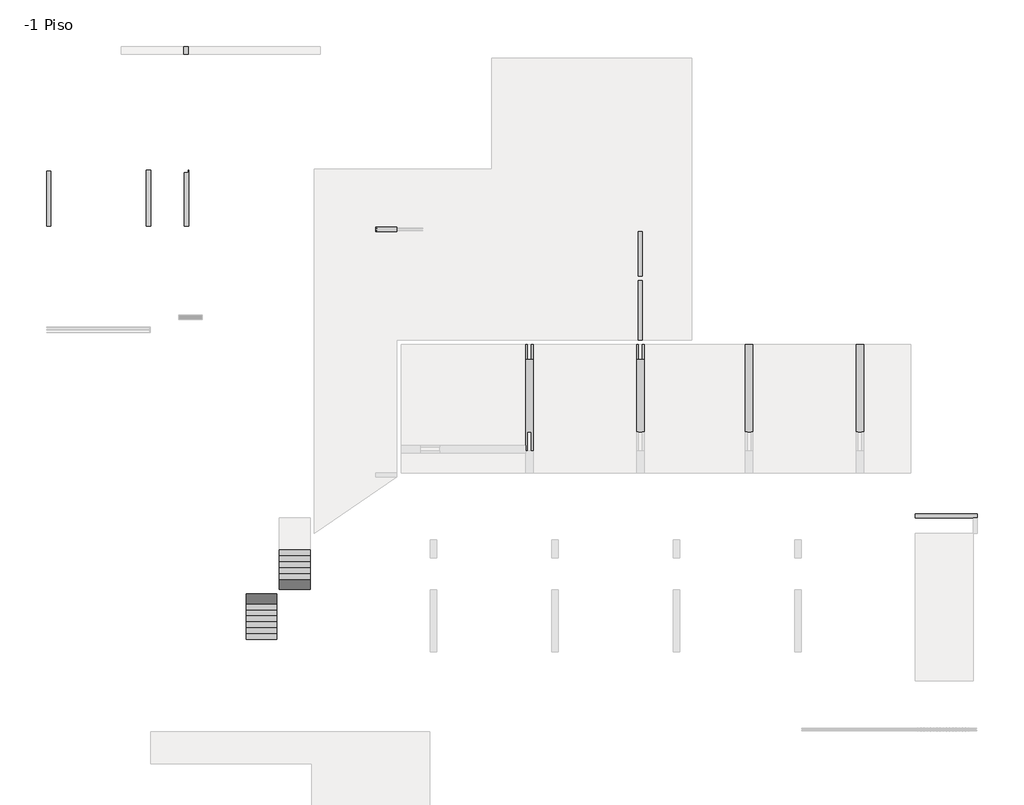
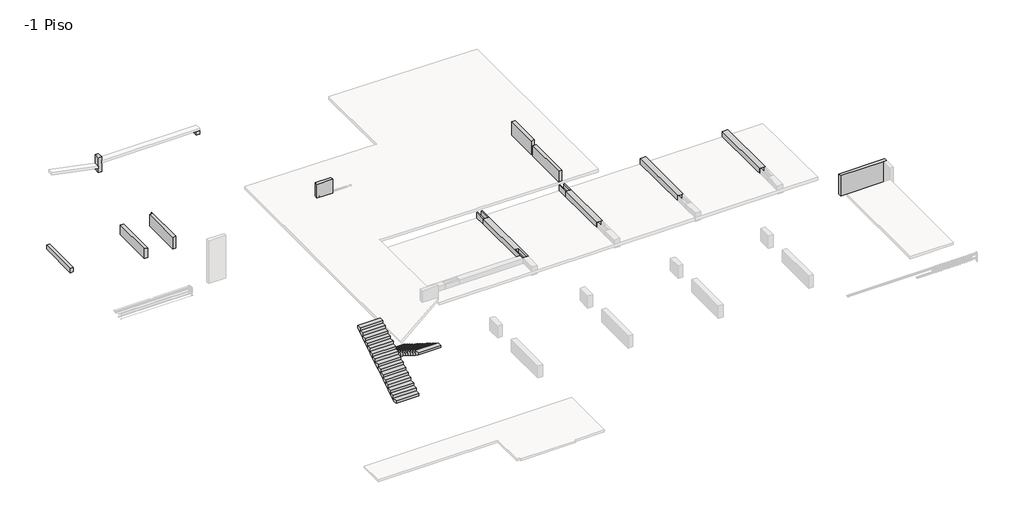
# One storey, part 2 of 3: 16 beams, 2 stair flights, 1 stair.
"""IFC4 building model written with IfcOpenShell, lengths in millimetres."""

import ifcopenshell
import ifcopenshell.guid

model = None  # the IFC model being written
_history = None  # IfcOwnerHistory: only IFC2X3 demands one
_inside = {}  # id of a spatial element -> (the spatial element, [elements in it])
_under = {}  # id of a project, library or spatial element -> (it, [spatial elements below it])
_declared = {}  # id of a project -> (the project, [libraries it declares])
_typed = {}  # id of a type object -> (the type object, [elements of that type])
_made_of = {}  # id of a material, layer set ... -> (it, [elements and type objects made of it])


def new_model(schema):
    """Start an empty IFC model of exactly this schema.

    Asked for "IFC4X3", IfcOpenShell would pick the latest addendum, in which some entities
    have other attributes; the version numbers below select the first issue.
    IFC2X3 requires an IfcOwnerHistory on every rooted entity: one is made here for all.
    """
    global model, _history
    if schema == "IFC4X3":
        model = ifcopenshell.file(schema_version=(4, 3, 0, 0))
    else:
        model = ifcopenshell.file(schema=schema)
    _inside.clear()
    _under.clear()
    _declared.clear()
    _typed.clear()
    _made_of.clear()
    _history = None
    if model.schema == "IFC2X3":
        org = make("IfcOrganization", Name="unknown")
        user = make(
            "IfcPersonAndOrganization",
            ThePerson=make("IfcPerson", FamilyName="unknown"),
            TheOrganization=org,
        )
        app = make(
            "IfcApplication",
            ApplicationDeveloper=org,
            Version="unknown",
            ApplicationFullName="unknown",
            ApplicationIdentifier="unknown",
        )
        _history = make(
            "IfcOwnerHistory",
            OwningUser=user,
            OwningApplication=app,
            ChangeAction="ADDED",
            CreationDate=0,
        )
    return model


def make(cls, **values):
    """One entity of the class cls with the attributes given. An attribute that is None is left unset."""
    return model.create_entity(
        cls, **{name: value for name, value in values.items() if value is not None}
    )


def rooted(cls, **values):
    """An entity with a GlobalId (a new one), such as an element, a storey or a relation."""
    return make(cls, GlobalId=ifcopenshell.guid.new(), OwnerHistory=_history, **values)


def si_unit(unit_type, name, prefix=None):
    """IfcSIUnit, for example si_unit("LENGTHUNIT", "METRE", prefix="MILLI")."""
    return make("IfcSIUnit", UnitType=unit_type, Prefix=prefix, Name=name)


def assignment(units):
    """IfcUnitAssignment: the units of a project."""
    return None if units is None else make("IfcUnitAssignment", Units=units)


def point(xyz):
    """IfcCartesianPoint."""
    return None if xyz is None else make("IfcCartesianPoint", Coordinates=xyz)


def direction(xyz):
    """IfcDirection."""
    return None if xyz is None else make("IfcDirection", DirectionRatios=xyz)


def frame(location, z_axis=None, x_axis=None):
    """IfcAxis2Placement3D, a coordinate frame: its origin and axes. An axis left out is left unset."""
    return make(
        "IfcAxis2Placement3D",
        Location=point(location),
        Axis=direction(z_axis),
        RefDirection=direction(x_axis),
    )


def origin():
    """The frame at (0, 0, 0) with its axes left unset."""
    return frame((0.0, 0.0, 0.0))


def place(relative_to, where):
    """IfcLocalPlacement: puts the frame where relative to a parent placement (None: the world)."""
    return make(
        "IfcLocalPlacement", PlacementRelTo=relative_to, RelativePlacement=where
    )


def context(
    kind, dimensions, precision=None, world=None, true_north=None, identifier=None
):
    """IfcGeometricRepresentationContext, for example the 3D "Model" context."""
    return make(
        "IfcGeometricRepresentationContext",
        ContextIdentifier=identifier,
        ContextType=kind,
        CoordinateSpaceDimension=dimensions,
        Precision=precision,
        WorldCoordinateSystem=world,
        TrueNorth=true_north,
    )


def project(units=None, contexts=None):
    """IfcProject with its units and contexts."""
    return rooted(
        "IfcProject",
        Name="project",
        RepresentationContexts=contexts,
        UnitsInContext=assignment(units),
    )


def spatial(cls, under=None, at=None, **own):
    """A site, building, storey or space (cls), placed at a placement, below another one or the project."""
    s = rooted(cls, ObjectPlacement=at, **own)
    if under is not None:
        _under.setdefault(under.id(), (under, []))[1].append(s)
    return s


def polyline(points):
    """IfcPolyline through the points."""
    return make("IfcPolyline", Points=[point(p) for p in points])


def outline(outer, holes=None, kind="AREA"):
    """IfcArbitraryClosedProfileDef: a profile drawn as a closed curve; with holes, ...WithVoids."""
    if holes is None:
        return make("IfcArbitraryClosedProfileDef", ProfileType=kind, OuterCurve=outer)
    return make(
        "IfcArbitraryProfileDefWithVoids",
        ProfileType=kind,
        OuterCurve=outer,
        InnerCurves=holes,
    )


def extrude(swept, where, along, depth):
    """IfcExtrudedAreaSolid: the profile swept, set in the frame where, extruded along a direction by depth."""
    return make(
        "IfcExtrudedAreaSolid",
        SweptArea=swept,
        Position=where,
        ExtrudedDirection=direction(along),
        Depth=depth,
    )


def faces_of(points, faces, orient=None, outer=None):
    """IfcFace entities. A face is a list of loops; a loop is a list of indices into points, from 0.

    orient and outer hold one flag for each loop. By default every Orientation is true, the
    first loop of a face is its IfcFaceOuterBound and the others are IfcFaceBound.
    """
    made = []
    for i, loops in enumerate(faces):
        bounds = []
        for j, loop in enumerate(loops):
            is_outer = j == 0 if outer is None else outer[i][j]
            bounds.append(
                make(
                    "IfcFaceOuterBound" if is_outer else "IfcFaceBound",
                    Bound=make("IfcPolyLoop", Polygon=[points[k] for k in loop]),
                    Orientation=True if orient is None else orient[i][j],
                )
            )
        made.append(make("IfcFace", Bounds=bounds))
    return made


def faceted_brep(points, faces, orient=None, outer=None, voids=None):
    """IfcFacetedBrep: a solid bounded by flat faces; with voids (closed shells), ...WithVoids."""
    shared = [point(p) for p in points]
    hull = make("IfcClosedShell", CfsFaces=faces_of(shared, faces, orient, outer))
    if voids is None:
        return make("IfcFacetedBrep", Outer=hull)
    return make(
        "IfcFacetedBrepWithVoids",
        Outer=hull,
        Voids=[
            make(cls, CfsFaces=faces_of(shared, fs, o, b)) for cls, fs, o, b in voids
        ],
    )


def shape(context_of_items, identifier, shape_type, items):
    """IfcShapeRepresentation: the items that make up one representation, for example the "Body"."""
    return make(
        "IfcShapeRepresentation",
        ContextOfItems=context_of_items,
        RepresentationIdentifier=identifier,
        RepresentationType=shape_type,
        Items=items,
    )


def source(mapping_origin, context_of_items, identifier, shape_type, items):
    """IfcRepresentationMap: a shape defined once, which mapped items show again and again."""
    return make(
        "IfcRepresentationMap",
        MappingOrigin=mapping_origin,
        MappedRepresentation=shape(context_of_items, identifier, shape_type, items),
    )


def transform(
    local_origin,
    x_axis=None,
    y_axis=None,
    z_axis=None,
    scale=None,
    scale2=None,
    scale3=None,
    uniform=True,
):
    """IfcCartesianTransformationOperator3D, or its non-uniform kind. x_axis, y_axis, z_axis: its Axis1, 2, 3."""
    if uniform:
        return make(
            "IfcCartesianTransformationOperator3D",
            Axis1=direction(x_axis),
            Axis2=direction(y_axis),
            LocalOrigin=point(local_origin),
            Scale=scale,
            Axis3=direction(z_axis),
        )
    return make(
        "IfcCartesianTransformationOperator3DnonUniform",
        Axis1=direction(x_axis),
        Axis2=direction(y_axis),
        LocalOrigin=point(local_origin),
        Scale=scale,
        Axis3=direction(z_axis),
        Scale2=scale2,
        Scale3=scale3,
    )


def mapped(mapping_source, mapping_target):
    """IfcMappedItem: shows the shape of a source again, moved by a transform."""
    return make(
        "IfcMappedItem", MappingSource=mapping_source, MappingTarget=mapping_target
    )


def made_of(thing, what):
    """Note that an element or type object is made of a material, layer set ...; save() writes the relation."""
    if what is not None:
        _made_of.setdefault(what.id(), (what, []))[1].append(thing)
    return thing


def element(
    cls,
    number,
    at=None,
    inside=None,
    cuts=None,
    type_object=None,
    material=None,
    context=None,
    identifier="Body",
    shape_type=None,
    held_by="IfcProductDefinitionShape",
    body=None,
    shapes=None,
    **own,
):
    """One element of the class cls, such as IfcWall. Its Tag is "e" and its number.

    at: its placement. inside: the storey or other place that contains it. cuts: it is an
    opening in that element (IfcRelVoidsElement). A single representation is given by context,
    identifier, shape_type and body (its items); several are given by shapes. held_by: the class
    of the entity that holds the representations. save() writes the other relations.
    """
    e = rooted(cls, Tag="e%d" % number, ObjectPlacement=at, **own)
    if body is not None:
        shapes = [shape(context, identifier, shape_type, body)]
    if shapes is not None:
        e.Representation = make(held_by, Representations=shapes)
    if inside is not None:
        _inside.setdefault(inside.id(), (inside, []))[1].append(e)
    if cuts is not None:
        rooted(
            "IfcRelVoidsElement", RelatingBuildingElement=cuts, RelatedOpeningElement=e
        )
    if type_object is not None:
        _typed.setdefault(type_object.id(), (type_object, []))[1].append(e)
    return made_of(e, material)


def aggregate(whole, parts):
    """IfcRelAggregates: a whole, such as a stair, and the parts it consists of."""
    return rooted("IfcRelAggregates", RelatingObject=whole, RelatedObjects=parts)


def save(model, path):
    """Write the relations noted so far, then the file.

    IfcRelAggregates (storeys below a building ...), IfcRelContainedInSpatialStructure (elements
    in a storey), IfcRelDefinesByType, IfcRelAssociatesMaterial and IfcRelDeclares: one each for
    every whole, place, type object, material and project.
    """
    for whole, parts in _under.values():
        aggregate(whole, parts)
    for where, things in _inside.values():
        rooted(
            "IfcRelContainedInSpatialStructure",
            RelatedElements=things,
            RelatingStructure=where,
        )
    for kind, things in _typed.values():
        rooted("IfcRelDefinesByType", RelatedObjects=things, RelatingType=kind)
    for what, things in _made_of.values():
        rooted("IfcRelAssociatesMaterial", RelatedObjects=things, RelatingMaterial=what)
    for by, libraries in _declared.values():
        rooted("IfcRelDeclares", RelatingContext=by, RelatedDefinitions=libraries)
    model.write(path)


def stairs_28_stairs_18_cfd528c6(model_context):
    return source(origin(), model_context, "Body", "SweptSolid", [
        extrude(outline(polyline([(-6184.0672499, -485.0757576), (-6184.0672499, -638.8645914), (-6427.3906788, -485.0757576), (-6184.0672499, -485.0757576)])), frame((-30695.6912908, 0.0, 0.0), z_axis=(1.0, 0.0, 0.0), x_axis=(0.0, 1.0, 0.0)), (0.0, 0.0, 1.0), 1430.0),
    ])


model = new_model("IFC4")

# Units and contexts
model_context = context("Model", 3, world=origin())
ifc_project = project(units=[si_unit("LENGTHUNIT", "METRE", prefix="MILLI")], contexts=[model_context])

# Site, building, storey
site = spatial("IfcSite", under=ifc_project)
building = spatial("IfcBuilding", under=site)
storey = spatial("IfcBuildingStorey", under=building, Name="-1 Piso", Elevation=-670.0)

# Beams
placement = place(None, origin())
element("IfcBeam", 1, ObjectType="V. 20/135", at=placement, inside=storey, context=model_context, shape_type="Brep", body=[
    faceted_brep([(1994.3087092, -4689.0672499, -1250.0), (1994.3087092, -4689.0672499, 100.0), (1794.3087092, -4689.0672499, 100.0), (-925.6912908, -4689.0672499, 100.0), (-925.6912908, -4689.0672499, -680.22), (-925.6912908, -4689.0672499, -840.2356792), (-925.6912908, -4689.0672499, -1250.0), (1794.3087092, -4689.0672499, -1250.0), (1994.3087092, -4489.0672499, -1250.0), (-925.6912908, -4489.0672499, -1250.0), (1994.3087092, -4489.0672499, 100.0), (-925.6912908, -4489.0672499, 100.0)], [[[0, 1, 2, 3, 4, 5, 6, 7]], [[8, 0, 7, 6, 9]], [[10, 8, 9, 11]], [[1, 10, 11, 3, 2]], [[4, 3, 11, 9, 6, 5]], [[1, 0, 8, 10]]]),
])
element("IfcBeam", 2, ObjectType="V. 20/40", at=placement, inside=storey, context=model_context, shape_type="Brep", body=[
    faceted_brep([(-41405.6912908, 8980.9327501, -420.0), (-41405.6912908, 11575.9327501, -420.0), (-41405.6912908, 11575.9327501, -180.0877413), (-41405.6912908, 11575.9327501, -140.0), (-41405.6912908, 8980.9327501, -140.0), (-41405.6912908, 8980.9327501, -180.0877413), (-41605.6912908, 8980.9327501, -420.0), (-41605.6912908, 11575.9327501, -420.0), (-41605.6912908, 8980.9327501, -140.0), (-41605.6912908, 11575.9327501, -140.0)], [[[0, 1, 2, 3, 4, 5]], [[0, 6, 7, 1]], [[7, 6, 8, 9]], [[6, 0, 5, 4, 8]], [[1, 7, 9, 3, 2]], [[4, 3, 9, 8]]]),
])
element("IfcBeam", 3, ObjectType="V. 20/40", at=placement, inside=storey, context=model_context, shape_type="SweptSolid", body=[
    extrude(outline(polyline([(-28995.6912908, 17405.9327501), (-28795.6912908, 17405.9327501), (-28795.6912908, 17050.9327501), (-28995.6912908, 17050.9327501), (-28995.6912908, 17405.9327501)])), frame((0.0, 0.0, -550.0), z_axis=(0.0, 0.0, 1.0), x_axis=(1.0, 0.0, 0.0)), (0.0, 0.0, 1.0), 240.0),
])
element("IfcBeam", 4, ObjectType="V. 20/72.5", at=placement, inside=storey, context=model_context, shape_type="SweptSolid", body=[
    extrude(outline(polyline([(-100.0, -13695.6912908), (-100.0, -13895.6912908), (-821.7, -13895.6912908), (-823.7, -13695.6912908), (-100.0, -13695.6912908)])), frame((0.0, 3640.9327501, 0.0), z_axis=(0.0, 1.0, 0.0), x_axis=(0.0, 0.0, 1.0)), (0.0, 0.0, 1.0), 2795.0),
])
element("IfcBeam", 5, ObjectType="V. 20/78.5", at=placement, inside=storey, context=model_context, shape_type="Brep", body=[
    faceted_brep([(-34955.6912908, 11600.9327501, -1100.0), (-34955.6912908, 11600.9327501, -312.0), (-34955.6912908, 8980.9327501, -312.0), (-34955.6912908, 8980.9327501, -1100.0), (-35155.6912908, 11500.9327501, -1100.0), (-34975.6912908, 11500.9327501, -1100.0), (-34975.6912908, 11600.9327501, -1100.0), (-35155.6912908, 8980.9327501, -1100.0), (-35155.6912908, 8980.9327501, -312.0), (-35155.6912908, 11500.9327501, -312.0), (-35155.6912908, 11500.9327501, -460.0), (-35155.6912908, 8980.9327501, -460.0), (-34975.6912908, 11600.9327501, -312.0), (-34975.6912908, 11500.9327501, -312.0)], [[[0, 1, 2, 3]], [[4, 5, 6, 0, 3, 7]], [[8, 9, 10, 4, 7, 11]], [[8, 2, 1, 12, 13, 9]], [[2, 8, 11, 7, 3]], [[13, 5, 4, 10, 9]], [[5, 13, 12, 6]], [[1, 0, 6, 12]]]),
])
element("IfcBeam", 6, ObjectType="V. 20/80", at=placement, inside=storey, context=model_context, shape_type="SweptSolid", body=[
    extrude(outline(polyline([(-1100.0, -36935.6912908), (-1100.0, -36735.6912908), (-460.2877413, -36735.6912908), (-448.2877413, -36935.6912908), (-1100.0, -36935.6912908)])), frame((0.0, 8980.9327501, 0.0), z_axis=(0.0, 1.0, 0.0), x_axis=(0.0, 0.0, 1.0)), (0.0, 0.0, 1.0), 2620.0),
])
element("IfcBeam", 7, ObjectType="V. 20/92.5", at=placement, inside=storey, context=model_context, shape_type="SweptSolid", body=[
    extrude(outline(polyline([(-823.7, -13695.6912908), (100.0, -13695.6912908), (100.0, -13895.6912908), (-821.7, -13895.6912908), (-823.7, -13695.6912908)])), frame((0.0, 6635.9327501, 0.0), z_axis=(0.0, 1.0, 0.0), x_axis=(0.0, 0.0, 1.0)), (0.0, 0.0, 1.0), 2095.0),
])
element("IfcBeam", 8, ObjectType="V. 20/97", at=placement, inside=storey, context=model_context, shape_type="Brep", body=[
    faceted_brep([(-35175.6912908, 17050.9327501, -461.44), (-35175.6912908, 17050.9327501, 100.0), (-35175.6912908, 17405.9327501, 100.0), (-35175.6912908, 17405.9327501, -461.86), (-35175.6912908, 17405.9327501, -625.0916832), (-35175.6912908, 17405.9327501, -870.0), (-35175.6912908, 17050.9327501, -870.0), (-35175.6912908, 17050.9327501, -625.0916832), (-35175.6912908, 17050.9327501, -461.86), (-34975.6912908, 17050.9327501, -870.0), (-34975.6912908, 17405.9327501, -870.0), (-34975.6912908, 17050.9327501, 100.0), (-34975.6912908, 17050.9327501, -150.0), (-34975.6912908, 17050.9327501, -310.0), (-34975.6912908, 17405.9327501, -310.0), (-34975.6912908, 17405.9327501, -150.0), (-34975.6912908, 17405.9327501, 100.0)], [[[0, 1, 2, 3, 4, 5, 6, 7, 8]], [[9, 6, 5, 10]], [[11, 12, 13, 9, 10, 14, 15, 16]], [[1, 11, 16, 2]], [[1, 0, 8, 7, 6, 9, 13, 12, 11]], [[5, 4, 3, 2, 16, 15, 14, 10]]]),
])
element("IfcBeam", 9, ObjectType="V. 35/70", at=placement, inside=storey, context=model_context, shape_type="SweptSolid", body=[
    extrude(outline(polyline([(-1450.0, -13445.6912908), (-1450.0, -11395.6912908), (-1026.7089998, -11395.6912908), (-1006.2089998, -13445.6912908), (-1450.0, -13445.6912908)])), frame((0.0, 11575.9327501, 0.0), z_axis=(0.0, 1.0, 0.0), x_axis=(0.0, 0.0, 1.0)), (0.0, 0.0, 1.0), 350.0),
])
element("IfcBeam", 10, ObjectType="VI. 20/95", at=placement, inside=storey, context=model_context, shape_type="Brep", body=[
    faceted_brep([(-26195.6912908, 8730.9327501, 230.0), (-26195.6912908, 8930.9327501, 230.0), (-26195.6912908, 8930.9327501, -673.69875), (-26195.6912908, 8730.9327501, -673.69875), (-25195.6912908, 8930.9327501, 230.0), (-25195.6912908, 8730.9327501, 230.0), (-25195.6912908, 8730.9327501, -200.0), (-25195.6912908, 8730.9327501, -350.0), (-25195.6912908, 8730.9327501, -683.69875), (-25195.6912908, 8930.9327501, -683.69875)], [[[0, 1, 2, 3]], [[4, 5, 6, 7, 8, 9]], [[1, 4, 9, 2]], [[5, 0, 3, 8, 7, 6]], [[1, 0, 5, 4]], [[3, 2, 9, 8]]]),
])
element("IfcBeam", 11, ObjectType="VI. 35/55", at=placement, inside=storey, context=model_context, shape_type="Brep", body=[
    faceted_brep([(-13620.6912908, 2740.9327501, -900.0), (-13620.6912908, 2740.9327501, -1450.0), (-13695.6912908, 2740.9327501, -1450.0), (-13895.6912908, 2740.9327501, -1450.0), (-13970.6912908, 2740.9327501, -1450.0), (-13970.6912908, 2740.9327501, -900.0), (-13895.6912908, 2740.9327501, -900.0), (-13695.6912908, 2740.9327501, -900.0), (-13620.6912908, -659.1017012, -900.0), (-13695.6912908, -659.1017012, -900.0), (-13895.6912908, -659.1017012, -900.0), (-13970.6912908, -659.1017012, -900.0), (-13970.6912908, -659.1017012, -1229.0996555), (-13970.6912908, -659.1017012, -1409.1086553), (-13970.6912908, -659.1017012, -1450.0), (-13895.6912908, -659.1017012, -1450.0), (-13695.6912908, -659.1017012, -1450.0), (-13620.6912908, -659.1017012, -1450.0), (-13620.6912908, -659.1017012, -1409.1086553), (-13620.6912908, -659.1017012, -1229.0996555)], [[[0, 1, 2, 3, 4, 5, 6, 7]], [[8, 9, 10, 11, 12, 13, 14, 15, 16, 17, 18, 19]], [[1, 0, 8, 19, 18, 17]], [[4, 3, 2, 1, 17, 16, 15, 14]], [[5, 4, 14, 13, 12, 11]], [[0, 7, 6, 5, 11, 10, 9, 8]]]),
])
element("IfcBeam", 12, ObjectType="VI. 35/55", at=placement, inside=storey, context=model_context, shape_type="Brep", body=[
    faceted_brep([(-8520.6912908, 3440.9327501, -900.0), (-8520.6912908, 3440.9327501, -1450.0), (-8870.6912908, 3440.9327501, -1450.0), (-8870.6912908, 3440.9327501, -900.0), (-8520.6912908, -659.0672499, -900.0), (-8595.6912908, -659.0672499, -900.0), (-8795.6912908, -659.0672499, -900.0), (-8870.6912908, -659.0672499, -900.0), (-8870.6912908, -659.0672499, -1229.1), (-8870.6912908, -659.0672499, -1409.1089998), (-8870.6912908, -659.0672499, -1450.0), (-8795.6912908, -659.0672499, -1450.0), (-8595.6912908, -659.0672499, -1450.0), (-8520.6912908, -659.0672499, -1450.0), (-8520.6912908, -659.0672499, -1409.1089998), (-8520.6912908, -659.0672499, -1229.1)], [[[0, 1, 2, 3]], [[4, 5, 6, 7, 8, 9, 10, 11, 12, 13, 14, 15]], [[1, 0, 4, 15, 14, 13]], [[2, 1, 13, 12, 11, 10]], [[3, 2, 10, 9, 8, 7]], [[0, 3, 7, 6, 5, 4]]]),
])
element("IfcBeam", 13, ObjectType="VI. 35/55", at=placement, inside=storey, context=model_context, shape_type="Brep", body=[
    faceted_brep([(-3340.6912908, 3440.9327501, -900.0), (-3340.6912908, 3440.9327501, -1450.0), (-3690.6912908, 3440.9327501, -1450.0), (-3690.6912908, 3440.9327501, -900.0), (-3340.6912908, -659.1017012, -900.0), (-3415.6912908, -659.1017012, -900.0), (-3615.6912908, -659.1017012, -900.0), (-3690.6912908, -659.1017012, -900.0), (-3690.6912908, -659.1017012, -1229.0996555), (-3690.6912908, -659.1017012, -1409.1086553), (-3690.6912908, -659.1017012, -1450.0), (-3615.6912908, -659.1017012, -1450.0), (-3415.6912908, -659.1017012, -1450.0), (-3340.6912908, -659.1017012, -1450.0), (-3340.6912908, -659.1017012, -1409.1086553), (-3340.6912908, -659.1017012, -1229.0996555)], [[[0, 1, 2, 3]], [[4, 5, 6, 7, 8, 9, 10, 11, 12, 13, 14, 15]], [[1, 0, 4, 15, 14, 13]], [[2, 1, 13, 12, 11, 10]], [[3, 2, 10, 9, 8, 7]], [[0, 3, 7, 6, 5, 4]]]),
])
element("IfcBeam", 14, ObjectType="VI. 35/55", at=placement, inside=storey, context=model_context, shape_type="SweptSolid", body=[
    extrude(outline(polyline([(-13620.6912908, 3440.9327501), (-13620.6912908, 2740.9327501), (-13695.6912908, 2740.9327501), (-13695.6912908, 3440.9327501), (-13620.6912908, 3440.9327501)])), frame((0.0, 0.0, -1450.0), z_axis=(0.0, 0.0, 1.0), x_axis=(1.0, 0.0, 0.0)), (0.0, 0.0, 1.0), 550.0),
    extrude(outline(polyline([(-13970.6912908, 2740.9327501), (-13970.6912908, 3440.9327501), (-13895.6912908, 3440.9327501), (-13895.6912908, 2740.9327501), (-13970.6912908, 2740.9327501)])), frame((0.0, 0.0, -1450.0), z_axis=(0.0, 0.0, 1.0), x_axis=(1.0, 0.0, 0.0)), (0.0, 0.0, 1.0), 550.0),
])
element("IfcBeam", 15, ObjectType="VI. 35/55", at=placement, inside=storey, context=model_context, shape_type="Brep", body=[
    faceted_brep([(-19170.6912908, 2740.9327501, -900.0), (-19095.6912908, 2740.9327501, -900.0), (-18895.6912908, 2740.9327501, -900.0), (-18820.6912908, 2740.9327501, -900.0), (-18820.6912908, 2740.9327501, -1263.1), (-19170.6912908, 2740.9327501, -1263.1), (-18820.6912908, -1559.1017012, -900.0), (-18820.6912908, -1559.1017012, -1220.0996555), (-19170.6912908, -1284.1017012, -900.0), (-19170.6912908, -1559.1017012, -900.0), (-19095.6912908, -1559.1017012, -900.0), (-19095.6912908, -659.1017012, -900.0), (-18895.6912908, -659.1017012, -900.0), (-18895.6912908, -1559.1017012, -900.0), (-18895.6912908, -1559.1017012, -1220.0996555), (-18895.6912908, -659.1017012, -1229.0996555), (-19095.6912908, -659.1017012, -1229.0996555), (-19095.6912908, -1559.1017012, -1220.0996555), (-19170.6912908, -1559.1017012, -1220.0996555), (-19170.6912908, -1284.1017012, -1222.8496555)], [[[0, 1, 2, 3, 4, 5]], [[3, 6, 7, 4]], [[3, 2, 1, 0, 8, 9, 10, 11, 12, 13, 6]], [[5, 4, 7, 14, 15, 16, 17, 18, 19]], [[7, 6, 13, 14]], [[9, 8, 0, 5, 19, 18]], [[11, 16, 15, 12]], [[9, 18, 17, 10]], [[16, 11, 10, 17]], [[12, 15, 14, 13]]]),
    faceted_brep([(-18820.6912908, -1559.1017012, -1450.0), (-18820.6912908, -1559.1017012, -1400.1086553), (-18895.6912908, -1559.1017012, -1400.1086553), (-18895.6912908, -1559.1017012, -1450.0), (-19170.6912908, 2740.9327501, -1450.0), (-19095.6912908, 2740.9327501, -1450.0), (-18895.6912908, 2740.9327501, -1450.0), (-18820.6912908, 2740.9327501, -1450.0), (-18895.6912908, -659.1017012, -1450.0), (-19095.6912908, -659.1017012, -1450.0), (-19095.6912908, -1559.1017012, -1450.0), (-19170.6912908, -1559.1017012, -1450.0), (-19170.6912908, -1284.1017012, -1450.0), (-19170.6912908, -1559.1017012, -1400.1086553), (-19170.6912908, -1284.1017012, -1402.8586553), (-19170.6912908, 2740.9327501, -1443.1089998), (-18820.6912908, 2740.9327501, -1443.1089998), (-19095.6912908, -1559.1017012, -1400.1086553), (-19095.6912908, -659.1017012, -1409.1086553), (-18895.6912908, -659.1017012, -1409.1086553)], [[[0, 1, 2, 3]], [[4, 5, 6, 7, 0, 3, 8, 9, 10, 11, 12]], [[4, 12, 11, 13, 14, 15]], [[16, 15, 14, 13, 17, 18, 19, 2, 1]], [[7, 6, 5, 4, 15, 16]], [[0, 7, 16, 1]], [[9, 18, 17, 10]], [[19, 8, 3, 2]], [[13, 11, 10, 17]], [[18, 9, 8, 19]]]),
])
element("IfcBeam", 16, ObjectType="VI. 35/55", at=placement, inside=storey, context=model_context, shape_type="Brep", body=[
    faceted_brep([(-18820.6912908, 2740.9327501, -1450.0), (-18820.6912908, 2740.9327501, -1443.1089998), (-18820.6912908, 2740.9327501, -1263.1), (-18820.6912908, 2740.9327501, -900.0), (-18895.6912908, 2740.9327501, -900.0), (-18895.6912908, 2740.9327501, -1450.0), (-18820.6912908, 3440.9327501, -1450.0), (-18820.6912908, 3440.9327501, -900.0), (-18895.6912908, 3440.9327501, -1450.0), (-18895.6912908, 3440.9327501, -900.0)], [[[0, 1, 2, 3, 4, 5]], [[3, 2, 1, 0, 6, 7]], [[0, 5, 8, 6]], [[5, 4, 9, 8]], [[4, 3, 7, 9]], [[7, 6, 8, 9]]]),
    faceted_brep([(-19170.6912908, 2740.9327501, -1450.0), (-19170.6912908, 2740.9327501, -1443.1089998), (-19170.6912908, 2740.9327501, -1263.1), (-19170.6912908, 2740.9327501, -900.0), (-19170.6912908, 3440.9327501, -900.0), (-19170.6912908, 3440.9327501, -1450.0), (-19095.6912908, 2740.9327501, -900.0), (-19095.6912908, 3440.9327501, -900.0), (-19095.6912908, 2740.9327501, -1450.0), (-19095.6912908, 3440.9327501, -1450.0)], [[[0, 1, 2, 3, 4, 5]], [[3, 6, 7, 4]], [[6, 8, 9, 7]], [[3, 2, 1, 0, 8, 6]], [[8, 0, 5, 9]], [[5, 4, 7, 9]]]),
])

# Stair
stairs_28_stairs_18_shape = stairs_28_stairs_18_cfd528c6(model_context)
element("IfcStair", 17, ObjectType="Stairs 28 : Stairs 18", at=placement, inside=storey, context=model_context, shape_type="MappedRepresentation", body=[
    mapped(stairs_28_stairs_18_shape, transform((0.0, 0.0, 0.0), x_axis=(1.0, 0.0, 0.0), y_axis=(0.0, 1.0, 0.0), z_axis=(0.0, 0.0, 1.0))),
])

# Stair flights
element("IfcStairFlight", 18, at=placement, inside=storey, context=model_context, shape_type="Brep", body=[
    faceted_brep([(-32245.6912908, -10104.0672499, -492.5), (-32245.6912908, -10384.0672499, -492.5), (-30815.6912908, -10384.0672499, -492.5), (-30815.6912908, -10104.0672499, -492.5), (-32245.6912908, -10104.0672499, -646.4205179), (-32245.6912908, -10141.2630527, -670.0), (-32245.6912908, -10384.0672499, -670.0), (-30815.6912908, -10384.0672499, -670.0), (-30815.6912908, -10141.2630527, -670.0), (-30815.6912908, -10104.0672499, -646.4205179), (-32245.6912908, -9824.0672499, -315.0), (-32245.6912908, -10104.0672499, -315.0), (-30815.6912908, -10104.0672499, -315.0), (-30815.6912908, -9824.0672499, -315.0), (-32245.6912908, -9824.0672499, -468.9205179), (-30815.6912908, -9824.0672499, -468.9205179), (-32245.6912908, -9544.0672499, -137.5), (-32245.6912908, -9824.0672499, -137.5), (-30815.6912908, -9824.0672499, -137.5), (-30815.6912908, -9544.0672499, -137.5), (-32245.6912908, -9544.0672499, -291.4205179), (-30815.6912908, -9544.0672499, -291.4205179), (-32245.6912908, -9264.0672499, 40.0), (-32245.6912908, -9544.0672499, 40.0), (-30815.6912908, -9544.0672499, 40.0), (-30815.6912908, -9264.0672499, 40.0), (-32245.6912908, -9264.0672499, -113.9205179), (-30815.6912908, -9264.0672499, -113.9205179), (-32245.6912908, -8984.0672499, 217.5), (-32245.6912908, -9264.0672499, 217.5), (-30815.6912908, -9264.0672499, 217.5), (-30815.6912908, -8984.0672499, 217.5), (-32245.6912908, -8984.0672499, 63.5794821), (-30815.6912908, -8984.0672499, 63.5794821), (-32245.6912908, -8704.0672499, 395.0), (-32245.6912908, -8984.0672499, 395.0), (-30815.6912908, -8984.0672499, 395.0), (-30815.6912908, -8704.0672499, 395.0), (-32245.6912908, -8704.0672499, 241.0794821), (-30815.6912908, -8704.0672499, 241.0794821), (-32245.6912908, -8424.0672499, 572.5), (-32245.6912908, -8704.0672499, 572.5), (-30815.6912908, -8704.0672499, 572.5), (-30815.6912908, -8424.0672499, 572.5), (-32245.6912908, -8424.0672499, 418.5794821), (-30815.6912908, -8424.0672499, 418.5794821), (-32245.6912908, -8144.0672499, 750.0), (-32245.6912908, -8424.0672499, 750.0), (-30815.6912908, -8424.0672499, 750.0), (-30815.6912908, -8144.0672499, 750.0), (-32245.6912908, -8144.0672499, 596.0794821), (-30815.6912908, -8144.0672499, 596.0794821), (-32245.6912908, -7864.0672499, 927.5), (-32245.6912908, -8144.0672499, 927.5), (-30815.6912908, -8144.0672499, 927.5), (-30815.6912908, -7864.0672499, 927.5), (-32245.6912908, -7864.0672499, 773.5794821), (-30815.6912908, -7864.0672499, 773.5794821), (-32245.6912908, -7584.0672499, 1105.0), (-32245.6912908, -7864.0672499, 1105.0), (-30815.6912908, -7864.0672499, 1105.0), (-30815.6912908, -7584.0672499, 1105.0), (-32245.6912908, -7584.0672499, 951.0794821), (-30815.6912908, -7584.0672499, 951.0794821), (-32245.6912908, -7304.0672499, 1282.5), (-32245.6912908, -7584.0672499, 1282.5), (-30815.6912908, -7584.0672499, 1282.5), (-30815.6912908, -7304.0672499, 1282.5), (-32245.6912908, -7304.0672499, 1128.5794821), (-30815.6912908, -7304.0672499, 1128.5794821), (-32245.6912908, -7024.0672499, 1306.0794821), (-32245.6912908, -6744.0672499, 1483.5794821), (-32245.6912908, -6464.0672499, 1661.0794821), (-32245.6912908, -6184.0672499, 1838.5794821), (-30815.6912908, -6184.0672499, 1838.5794821), (-30815.6912908, -6464.0672499, 1661.0794821), (-30815.6912908, -6744.0672499, 1483.5794821), (-30815.6912908, -7024.0672499, 1306.0794821), (-32245.6912908, -7024.0672499, 1460.0), (-32245.6912908, -7304.0672499, 1460.0), (-30815.6912908, -7304.0672499, 1460.0), (-30815.6912908, -7024.0672499, 1460.0), (-32245.6912908, -6744.0672499, 1637.5), (-32245.6912908, -7024.0672499, 1637.5), (-30815.6912908, -7024.0672499, 1637.5), (-30815.6912908, -6744.0672499, 1637.5), (-32245.6912908, -6464.0672499, 1815.0), (-32245.6912908, -6744.0672499, 1815.0), (-30815.6912908, -6744.0672499, 1815.0), (-30815.6912908, -6464.0672499, 1815.0), (-32245.6912908, -6184.0672499, 1992.5), (-32245.6912908, -6464.0672499, 1992.5), (-30815.6912908, -6464.0672499, 1992.5), (-30815.6912908, -6184.0672499, 1992.5)], [[[0, 1, 2, 3]], [[1, 0, 4, 5, 6]], [[2, 1, 6, 7]], [[3, 2, 7, 8, 9]], [[10, 11, 12, 13]], [[11, 10, 14, 4, 0]], [[0, 3, 12, 11]], [[13, 12, 3, 9, 15]], [[16, 17, 18, 19]], [[17, 16, 20, 14, 10]], [[10, 13, 18, 17]], [[19, 18, 13, 15, 21]], [[22, 23, 24, 25]], [[23, 22, 26, 20, 16]], [[16, 19, 24, 23]], [[25, 24, 19, 21, 27]], [[28, 29, 30, 31]], [[29, 28, 32, 26, 22]], [[22, 25, 30, 29]], [[31, 30, 25, 27, 33]], [[34, 35, 36, 37]], [[35, 34, 38, 32, 28]], [[28, 31, 36, 35]], [[37, 36, 31, 33, 39]], [[40, 41, 42, 43]], [[41, 40, 44, 38, 34]], [[34, 37, 42, 41]], [[43, 42, 37, 39, 45]], [[46, 47, 48, 49]], [[47, 46, 50, 44, 40]], [[40, 43, 48, 47]], [[49, 48, 43, 45, 51]], [[52, 53, 54, 55]], [[53, 52, 56, 50, 46]], [[46, 49, 54, 53]], [[55, 54, 49, 51, 57]], [[58, 59, 60, 61]], [[59, 58, 62, 56, 52]], [[52, 55, 60, 59]], [[61, 60, 55, 57, 63]], [[64, 65, 66, 67]], [[65, 64, 68, 62, 58]], [[58, 61, 66, 65]], [[67, 66, 61, 63, 69]], [[7, 6, 5, 8]], [[8, 5, 4, 14, 20, 26, 32, 38, 44, 50, 56, 62, 68, 70, 71, 72, 73, 74, 75, 76, 77, 69, 63, 57, 51, 45, 39, 33, 27, 21, 15, 9]], [[78, 79, 80, 81]], [[79, 78, 70, 68, 64]], [[64, 67, 80, 79]], [[81, 80, 67, 69, 77]], [[82, 83, 84, 85]], [[83, 82, 71, 70, 78]], [[78, 81, 84, 83]], [[85, 84, 81, 77, 76]], [[86, 87, 88, 89]], [[87, 86, 72, 71, 82]], [[82, 85, 88, 87]], [[89, 88, 85, 76, 75]], [[90, 91, 92, 93]], [[91, 90, 73, 72, 86]], [[86, 89, 92, 91]], [[93, 92, 89, 75, 74]], [[90, 93, 74, 73]]]),
])
element("IfcStairFlight", 19, at=placement, inside=storey, context=model_context, shape_type="Brep", body=[
    faceted_brep([(-29265.6912908, -6464.0672499, -308.1060606), (-29265.6912908, -6184.0672499, -308.1060606), (-30695.6912908, -6184.0672499, -308.1060606), (-30695.6912908, -6464.0672499, -308.1060606), (-29265.6912908, -6464.0672499, -461.8948945), (-29265.6912908, -6427.3906788, -485.0757576), (-29265.6912908, -6184.0672499, -485.0757576), (-30695.6912908, -6184.0672499, -485.0757576), (-30695.6912908, -6427.3906788, -485.0757576), (-30695.6912908, -6464.0672499, -461.8948945), (-29265.6912908, -6744.0672499, -131.1363636), (-29265.6912908, -6464.0672499, -131.1363636), (-30695.6912908, -6464.0672499, -131.1363636), (-30695.6912908, -6744.0672499, -131.1363636), (-29265.6912908, -6744.0672499, -284.9251975), (-30695.6912908, -6744.0672499, -284.9251975), (-29265.6912908, -7024.0672499, 45.8333333), (-29265.6912908, -6744.0672499, 45.8333333), (-30695.6912908, -6744.0672499, 45.8333333), (-30695.6912908, -7024.0672499, 45.8333333), (-29265.6912908, -7024.0672499, -107.9555005), (-30695.6912908, -7024.0672499, -107.9555005), (-29265.6912908, -7304.0672499, 222.8030303), (-29265.6912908, -7024.0672499, 222.8030303), (-30695.6912908, -7024.0672499, 222.8030303), (-30695.6912908, -7304.0672499, 222.8030303), (-29265.6912908, -7304.0672499, 69.0141965), (-30695.6912908, -7304.0672499, 69.0141965), (-29265.6912908, -7584.0672499, 399.7727273), (-29265.6912908, -7304.0672499, 399.7727273), (-30695.6912908, -7304.0672499, 399.7727273), (-30695.6912908, -7584.0672499, 399.7727273), (-29265.6912908, -7584.0672499, 245.9838934), (-30695.6912908, -7584.0672499, 245.9838934), (-29265.6912908, -7864.0672499, 576.7424242), (-29265.6912908, -7584.0672499, 576.7424242), (-30695.6912908, -7584.0672499, 576.7424242), (-30695.6912908, -7864.0672499, 576.7424242), (-29265.6912908, -7864.0672499, 422.9535904), (-30695.6912908, -7864.0672499, 422.9535904), (-29265.6912908, -8144.0672499, 753.7121212), (-29265.6912908, -7864.0672499, 753.7121212), (-30695.6912908, -7864.0672499, 753.7121212), (-30695.6912908, -8144.0672499, 753.7121212), (-29265.6912908, -8144.0672499, 599.9232874), (-30695.6912908, -8144.0672499, 599.9232874), (-29265.6912908, -8424.0672499, 930.6818182), (-29265.6912908, -8144.0672499, 930.6818182), (-30695.6912908, -8144.0672499, 930.6818182), (-30695.6912908, -8424.0672499, 930.6818182), (-29265.6912908, -8424.0672499, 776.8929843), (-30695.6912908, -8424.0672499, 776.8929843), (-29265.6912908, -8704.0672499, 1107.6515152), (-29265.6912908, -8424.0672499, 1107.6515152), (-30695.6912908, -8424.0672499, 1107.6515152), (-30695.6912908, -8704.0672499, 1107.6515152), (-29265.6912908, -8704.0672499, 953.8626813), (-30695.6912908, -8704.0672499, 953.8626813), (-29265.6912908, -8984.0672499, 1284.6212121), (-29265.6912908, -8704.0672499, 1284.6212121), (-30695.6912908, -8704.0672499, 1284.6212121), (-30695.6912908, -8984.0672499, 1284.6212121), (-29265.6912908, -8984.0672499, 1130.8323783), (-30695.6912908, -8984.0672499, 1130.8323783), (-29265.6912908, -9264.0672499, 1461.5909091), (-29265.6912908, -8984.0672499, 1461.5909091), (-30695.6912908, -8984.0672499, 1461.5909091), (-30695.6912908, -9264.0672499, 1461.5909091), (-29265.6912908, -9264.0672499, 1307.8020752), (-30695.6912908, -9264.0672499, 1307.8020752), (-29265.6912908, -9544.0672499, 1638.5606061), (-29265.6912908, -9264.0672499, 1638.5606061), (-30695.6912908, -9264.0672499, 1638.5606061), (-30695.6912908, -9544.0672499, 1638.5606061), (-29265.6912908, -9544.0672499, 1484.7717722), (-30695.6912908, -9544.0672499, 1484.7717722), (-29265.6912908, -9824.0672499, 1661.7414692), (-29265.6912908, -10104.0672499, 1838.7111662), (-30695.6912908, -10104.0672499, 1838.7111662), (-30695.6912908, -9824.0672499, 1661.7414692), (-29265.6912908, -9824.0672499, 1815.530303), (-29265.6912908, -9544.0672499, 1815.530303), (-30695.6912908, -9544.0672499, 1815.530303), (-30695.6912908, -9824.0672499, 1815.530303), (-29265.6912908, -10104.0672499, 1992.5), (-29265.6912908, -9824.0672499, 1992.5), (-30695.6912908, -9824.0672499, 1992.5), (-30695.6912908, -10104.0672499, 1992.5)], [[[0, 1, 2, 3]], [[1, 0, 4, 5, 6]], [[2, 1, 6, 7]], [[3, 2, 7, 8, 9]], [[10, 11, 12, 13]], [[11, 10, 14, 4, 0]], [[0, 3, 12, 11]], [[13, 12, 3, 9, 15]], [[16, 17, 18, 19]], [[17, 16, 20, 14, 10]], [[10, 13, 18, 17]], [[19, 18, 13, 15, 21]], [[22, 23, 24, 25]], [[23, 22, 26, 20, 16]], [[16, 19, 24, 23]], [[25, 24, 19, 21, 27]], [[28, 29, 30, 31]], [[29, 28, 32, 26, 22]], [[22, 25, 30, 29]], [[31, 30, 25, 27, 33]], [[34, 35, 36, 37]], [[35, 34, 38, 32, 28]], [[28, 31, 36, 35]], [[37, 36, 31, 33, 39]], [[40, 41, 42, 43]], [[41, 40, 44, 38, 34]], [[34, 37, 42, 41]], [[43, 42, 37, 39, 45]], [[46, 47, 48, 49]], [[47, 46, 50, 44, 40]], [[40, 43, 48, 47]], [[49, 48, 43, 45, 51]], [[52, 53, 54, 55]], [[53, 52, 56, 50, 46]], [[46, 49, 54, 53]], [[55, 54, 49, 51, 57]], [[58, 59, 60, 61]], [[59, 58, 62, 56, 52]], [[52, 55, 60, 59]], [[61, 60, 55, 57, 63]], [[64, 65, 66, 67]], [[65, 64, 68, 62, 58]], [[58, 61, 66, 65]], [[67, 66, 61, 63, 69]], [[70, 71, 72, 73]], [[71, 70, 74, 68, 64]], [[64, 67, 72, 71]], [[73, 72, 67, 69, 75]], [[7, 6, 5, 8]], [[8, 5, 4, 14, 20, 26, 32, 38, 44, 50, 56, 62, 68, 74, 76, 77, 78, 79, 75, 69, 63, 57, 51, 45, 39, 33, 27, 21, 15, 9]], [[80, 81, 82, 83]], [[81, 80, 76, 74, 70]], [[70, 73, 82, 81]], [[83, 82, 73, 75, 79]], [[84, 85, 86, 87]], [[85, 84, 77, 76, 80]], [[80, 83, 86, 85]], [[87, 86, 83, 79, 78]], [[84, 87, 78, 77]]]),
])

save(model, "model.ifc")
